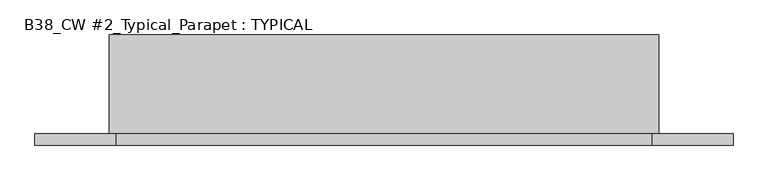
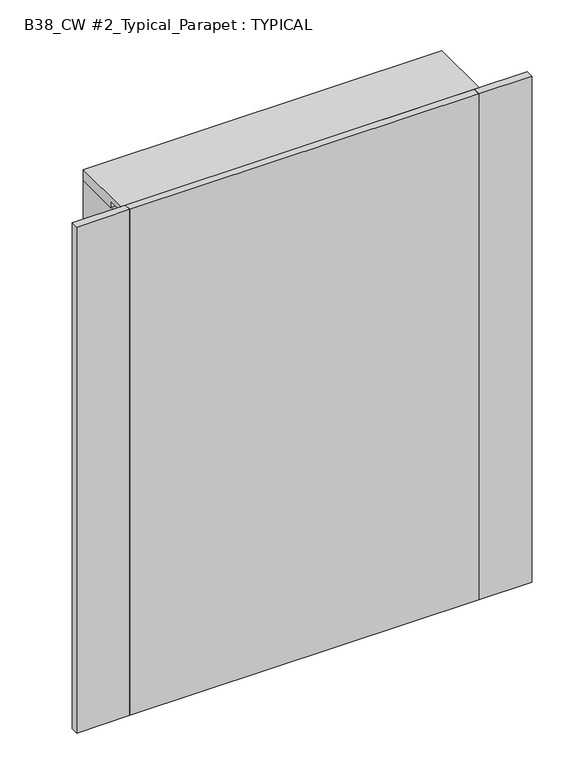
"""IFC4 building model written with IfcOpenShell, lengths in millimetres: plate geometry, B38_CW #2_Typical_Parapet : TYPICAL."""

import ifcopenshell
import ifcopenshell.guid

model = None  # the IFC model being written
_history = None  # IfcOwnerHistory: only IFC2X3 demands one
_inside = {}  # id of a spatial element -> (the spatial element, [elements in it])
_under = {}  # id of a project, library or spatial element -> (it, [spatial elements below it])
_declared = {}  # id of a project -> (the project, [libraries it declares])
_typed = {}  # id of a type object -> (the type object, [elements of that type])
_made_of = {}  # id of a material, layer set ... -> (it, [elements and type objects made of it])


def new_model(schema):
    """Start an empty IFC model of exactly this schema.

    Asked for "IFC4X3", IfcOpenShell would pick the latest addendum, in which some entities
    have other attributes; the version numbers below select the first issue.
    IFC2X3 requires an IfcOwnerHistory on every rooted entity: one is made here for all.
    """
    global model, _history
    if schema == "IFC4X3":
        model = ifcopenshell.file(schema_version=(4, 3, 0, 0))
    else:
        model = ifcopenshell.file(schema=schema)
    _inside.clear()
    _under.clear()
    _declared.clear()
    _typed.clear()
    _made_of.clear()
    _history = None
    if model.schema == "IFC2X3":
        org = make("IfcOrganization", Name="unknown")
        user = make(
            "IfcPersonAndOrganization",
            ThePerson=make("IfcPerson", FamilyName="unknown"),
            TheOrganization=org,
        )
        app = make(
            "IfcApplication",
            ApplicationDeveloper=org,
            Version="unknown",
            ApplicationFullName="unknown",
            ApplicationIdentifier="unknown",
        )
        _history = make(
            "IfcOwnerHistory",
            OwningUser=user,
            OwningApplication=app,
            ChangeAction="ADDED",
            CreationDate=0,
        )
    return model


def make(cls, **values):
    """One entity of the class cls with the attributes given. An attribute that is None is left unset."""
    return model.create_entity(
        cls, **{name: value for name, value in values.items() if value is not None}
    )


def rooted(cls, **values):
    """An entity with a GlobalId (a new one), such as an element, a storey or a relation."""
    return make(cls, GlobalId=ifcopenshell.guid.new(), OwnerHistory=_history, **values)


def si_unit(unit_type, name, prefix=None):
    """IfcSIUnit, for example si_unit("LENGTHUNIT", "METRE", prefix="MILLI")."""
    return make("IfcSIUnit", UnitType=unit_type, Prefix=prefix, Name=name)


def assignment(units):
    """IfcUnitAssignment: the units of a project."""
    return None if units is None else make("IfcUnitAssignment", Units=units)


def point(xyz):
    """IfcCartesianPoint."""
    return None if xyz is None else make("IfcCartesianPoint", Coordinates=xyz)


def direction(xyz):
    """IfcDirection."""
    return None if xyz is None else make("IfcDirection", DirectionRatios=xyz)


def frame(location, z_axis=None, x_axis=None):
    """IfcAxis2Placement3D, a coordinate frame: its origin and axes. An axis left out is left unset."""
    return make(
        "IfcAxis2Placement3D",
        Location=point(location),
        Axis=direction(z_axis),
        RefDirection=direction(x_axis),
    )


def origin():
    """The frame at (0, 0, 0) with its axes left unset."""
    return frame((0.0, 0.0, 0.0))


def origin_with_axes():
    """The frame at (0, 0, 0) with the z axis (0, 0, 1) and the x axis (1, 0, 0) written out."""
    return frame((0.0, 0.0, 0.0), z_axis=(0.0, 0.0, 1.0), x_axis=(1.0, 0.0, 0.0))


def place(relative_to, where):
    """IfcLocalPlacement: puts the frame where relative to a parent placement (None: the world)."""
    return make(
        "IfcLocalPlacement", PlacementRelTo=relative_to, RelativePlacement=where
    )


def context(
    kind, dimensions, precision=None, world=None, true_north=None, identifier=None
):
    """IfcGeometricRepresentationContext, for example the 3D "Model" context."""
    return make(
        "IfcGeometricRepresentationContext",
        ContextIdentifier=identifier,
        ContextType=kind,
        CoordinateSpaceDimension=dimensions,
        Precision=precision,
        WorldCoordinateSystem=world,
        TrueNorth=true_north,
    )


def project(units=None, contexts=None):
    """IfcProject with its units and contexts."""
    return rooted(
        "IfcProject",
        Name="project",
        RepresentationContexts=contexts,
        UnitsInContext=assignment(units),
    )


def spatial(cls, under=None, at=None, **own):
    """A site, building, storey or space (cls), placed at a placement, below another one or the project."""
    s = rooted(cls, ObjectPlacement=at, **own)
    if under is not None:
        _under.setdefault(under.id(), (under, []))[1].append(s)
    return s


def polyline(points):
    """IfcPolyline through the points."""
    return make("IfcPolyline", Points=[point(p) for p in points])


def outline(outer, holes=None, kind="AREA"):
    """IfcArbitraryClosedProfileDef: a profile drawn as a closed curve; with holes, ...WithVoids."""
    if holes is None:
        return make("IfcArbitraryClosedProfileDef", ProfileType=kind, OuterCurve=outer)
    return make(
        "IfcArbitraryProfileDefWithVoids",
        ProfileType=kind,
        OuterCurve=outer,
        InnerCurves=holes,
    )


def extrude(swept, where, along, depth):
    """IfcExtrudedAreaSolid: the profile swept, set in the frame where, extruded along a direction by depth."""
    return make(
        "IfcExtrudedAreaSolid",
        SweptArea=swept,
        Position=where,
        ExtrudedDirection=direction(along),
        Depth=depth,
    )


def shape(context_of_items, identifier, shape_type, items):
    """IfcShapeRepresentation: the items that make up one representation, for example the "Body"."""
    return make(
        "IfcShapeRepresentation",
        ContextOfItems=context_of_items,
        RepresentationIdentifier=identifier,
        RepresentationType=shape_type,
        Items=items,
    )


def source(mapping_origin, context_of_items, identifier, shape_type, items):
    """IfcRepresentationMap: a shape defined once, which mapped items show again and again."""
    return make(
        "IfcRepresentationMap",
        MappingOrigin=mapping_origin,
        MappedRepresentation=shape(context_of_items, identifier, shape_type, items),
    )


def transform(
    local_origin,
    x_axis=None,
    y_axis=None,
    z_axis=None,
    scale=None,
    scale2=None,
    scale3=None,
    uniform=True,
):
    """IfcCartesianTransformationOperator3D, or its non-uniform kind. x_axis, y_axis, z_axis: its Axis1, 2, 3."""
    if uniform:
        return make(
            "IfcCartesianTransformationOperator3D",
            Axis1=direction(x_axis),
            Axis2=direction(y_axis),
            LocalOrigin=point(local_origin),
            Scale=scale,
            Axis3=direction(z_axis),
        )
    return make(
        "IfcCartesianTransformationOperator3DnonUniform",
        Axis1=direction(x_axis),
        Axis2=direction(y_axis),
        LocalOrigin=point(local_origin),
        Scale=scale,
        Axis3=direction(z_axis),
        Scale2=scale2,
        Scale3=scale3,
    )


def mapped(mapping_source, mapping_target):
    """IfcMappedItem: shows the shape of a source again, moved by a transform."""
    return make(
        "IfcMappedItem", MappingSource=mapping_source, MappingTarget=mapping_target
    )


def made_of(thing, what):
    """Note that an element or type object is made of a material, layer set ...; save() writes the relation."""
    if what is not None:
        _made_of.setdefault(what.id(), (what, []))[1].append(thing)
    return thing


def element(
    cls,
    number,
    at=None,
    inside=None,
    cuts=None,
    type_object=None,
    material=None,
    context=None,
    identifier="Body",
    shape_type=None,
    held_by="IfcProductDefinitionShape",
    body=None,
    shapes=None,
    **own,
):
    """One element of the class cls, such as IfcWall. Its Tag is "e" and its number.

    at: its placement. inside: the storey or other place that contains it. cuts: it is an
    opening in that element (IfcRelVoidsElement). A single representation is given by context,
    identifier, shape_type and body (its items); several are given by shapes. held_by: the class
    of the entity that holds the representations. save() writes the other relations.
    """
    e = rooted(cls, Tag="e%d" % number, ObjectPlacement=at, **own)
    if body is not None:
        shapes = [shape(context, identifier, shape_type, body)]
    if shapes is not None:
        e.Representation = make(held_by, Representations=shapes)
    if inside is not None:
        _inside.setdefault(inside.id(), (inside, []))[1].append(e)
    if cuts is not None:
        rooted(
            "IfcRelVoidsElement", RelatingBuildingElement=cuts, RelatedOpeningElement=e
        )
    if type_object is not None:
        _typed.setdefault(type_object.id(), (type_object, []))[1].append(e)
    return made_of(e, material)


def aggregate(whole, parts):
    """IfcRelAggregates: a whole, such as a stair, and the parts it consists of."""
    return rooted("IfcRelAggregates", RelatingObject=whole, RelatedObjects=parts)


def save(model, path):
    """Write the relations noted so far, then the file.

    IfcRelAggregates (storeys below a building ...), IfcRelContainedInSpatialStructure (elements
    in a storey), IfcRelDefinesByType, IfcRelAssociatesMaterial and IfcRelDeclares: one each for
    every whole, place, type object, material and project.
    """
    for whole, parts in _under.values():
        aggregate(whole, parts)
    for where, things in _inside.values():
        rooted(
            "IfcRelContainedInSpatialStructure",
            RelatedElements=things,
            RelatingStructure=where,
        )
    for kind, things in _typed.values():
        rooted("IfcRelDefinesByType", RelatedObjects=things, RelatingType=kind)
    for what, things in _made_of.values():
        rooted("IfcRelAssociatesMaterial", RelatedObjects=things, RelatingMaterial=what)
    for by, libraries in _declared.values():
        rooted("IfcRelDeclares", RelatingContext=by, RelatedDefinitions=libraries)
    model.write(path)


def b38_cw_2_typical_parapet_typical_01d58a1f(model_context):
    return source(origin(), model_context, "Body", "SweptSolid", [
        extrude(outline(polyline([(-584.2, -25.4), (584.2, -25.4), (584.2, -50.8), (-584.2, -50.8), (-584.2, -25.4)])), origin_with_axes(), (0.0, 0.0, 1.0), 1790.7),
        extrude(outline(polyline([(-762.0, -50.8), (-762.0, -25.4), (-584.2, -25.4), (-584.2, -50.8), (-762.0, -50.8)])), origin_with_axes(), (0.0, 0.0, 1.0), 1790.7),
        extrude(outline(polyline([(584.2, -50.8), (584.2, -25.4), (762.0, -25.4), (762.0, -50.8), (584.2, -50.8)])), origin_with_axes(), (0.0, 0.0, 1.0), 1790.7),
        extrude(outline(polyline([(561.975, 190.5), (600.075, 190.5), (600.075, -25.4), (561.975, -25.4), (561.975, -6.35), (584.2, -6.35), (584.2, 31.75), (561.975, 31.75), (561.975, 190.5)])), frame((0.0, 0.0, 38.1), z_axis=(0.0, 0.0, 1.0), x_axis=(1.0, 0.0, 0.0)), (0.0, 0.0, 1.0), 1714.5),
        extrude(outline(polyline([(561.975, 31.75), (-561.975, 31.75), (-561.975, 95.25), (561.975, 95.25), (561.975, 31.75)])), frame((0.0, 0.0, 15.875), z_axis=(0.0, 0.0, 1.0), x_axis=(1.0, 0.0, 0.0)), (0.0, 0.0, 1.0), 1736.725),
        extrude(outline(polyline([(190.5, 38.1), (190.5, 0.0), (-25.4, 0.0), (-25.4, 38.1), (-6.35, 38.1), (-6.35, 15.875), (31.75, 15.875), (31.75, 38.1), (190.5, 38.1)])), frame((-600.075, 0.0, 0.0), z_axis=(1.0, 0.0, 0.0), x_axis=(0.0, 1.0, 0.0)), (0.0, 0.0, 1.0), 1200.15),
        extrude(outline(polyline([(190.5, 1752.6), (31.75, 1752.6), (31.75, 1774.825), (-6.35, 1774.825), (-6.35, 1752.6), (-25.4, 1752.6), (-25.4, 1790.7), (190.5, 1790.7), (190.5, 1752.6)])), frame((-600.075, 0.0, 0.0), z_axis=(1.0, 0.0, 0.0), x_axis=(0.0, 1.0, 0.0)), (0.0, 0.0, 1.0), 1200.15),
        extrude(outline(polyline([(-561.975, 190.5), (-561.975, 31.75), (-584.2, 31.75), (-584.2, -6.35), (-561.975, -6.35), (-561.975, -25.4), (-600.075, -25.4), (-600.075, 190.5), (-561.975, 190.5)])), frame((0.0, 0.0, 38.1), z_axis=(0.0, 0.0, 1.0), x_axis=(1.0, 0.0, 0.0)), (0.0, 0.0, 1.0), 1714.5),
    ])


if __name__ == "__main__":
    model = new_model("IFC4")
    model_context = context("Model", 3, world=origin())
    ifc_project = project(units=[si_unit("LENGTHUNIT", "METRE", prefix="MILLI")], contexts=[model_context])
    site = spatial("IfcSite", under=ifc_project)
    building = spatial("IfcBuilding", under=site)
    placement = place(None, origin())
    b38_cw_2_typical_parapet_typical_shape = b38_cw_2_typical_parapet_typical_01d58a1f(model_context)
    element("IfcPlate", 1, ObjectType="B38_CW #2_Typical_Parapet : TYPICAL", at=placement, inside=building, context=model_context, shape_type="MappedRepresentation", body=[
        mapped(b38_cw_2_typical_parapet_typical_shape, transform((0.0, 0.0, 0.0), x_axis=(1.0, 0.0, 0.0), y_axis=(0.0, 1.0, 0.0), z_axis=(0.0, 0.0, 1.0))),
    ])
    save(model, "model.ifc")
